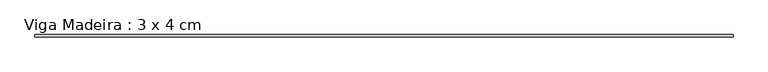
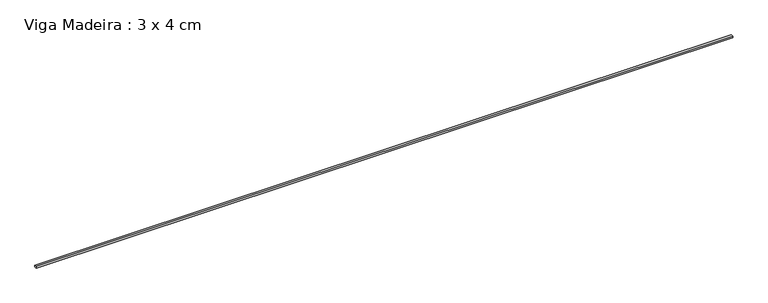
"""IFC4 building model written with IfcOpenShell, lengths in millimetres: beam geometry, Viga Madeira : 3 x 4 cm."""

from ifc_helpers import new_model, si_unit, frame, origin, place, context, project, spatial, polyline, outline, extrude, source, transform, mapped, element, save


def viga_madeira_3_x_4_cm_66d351e1(model_context):
    return source(origin(), model_context, "Body", "SweptSolid", [
        extrude(outline(polyline([(6210.5627048, 20.0), (6210.5627048, -20.0), (-6210.5627048, -20.0), (-6210.5627048, 20.0), (6210.5627048, 20.0)])), frame((0.0, 0.0, -15.0), z_axis=(0.0, 0.0, 1.0), x_axis=(1.0, 0.0, 0.0)), (0.0, 0.0, 1.0), 30.0),
    ])


if __name__ == "__main__":
    model = new_model("IFC4")
    model_context = context("Model", 3, world=origin())
    ifc_project = project(units=[si_unit("LENGTHUNIT", "METRE", prefix="MILLI")], contexts=[model_context])
    site = spatial("IfcSite", under=ifc_project)
    building = spatial("IfcBuilding", under=site)
    placement = place(None, origin())
    viga_madeira_3_x_4_cm_shape = viga_madeira_3_x_4_cm_66d351e1(model_context)
    element("IfcBeam", 1, ObjectType="Viga Madeira : 3 x 4 cm", at=placement, inside=building, context=model_context, shape_type="MappedRepresentation", body=[
        mapped(viga_madeira_3_x_4_cm_shape, transform((0.0, 0.0, 0.0), x_axis=(1.0, 0.0, 0.0), y_axis=(0.0, 1.0, 0.0), z_axis=(0.0, 0.0, 1.0))),
    ])
    save(model, "model.ifc")
